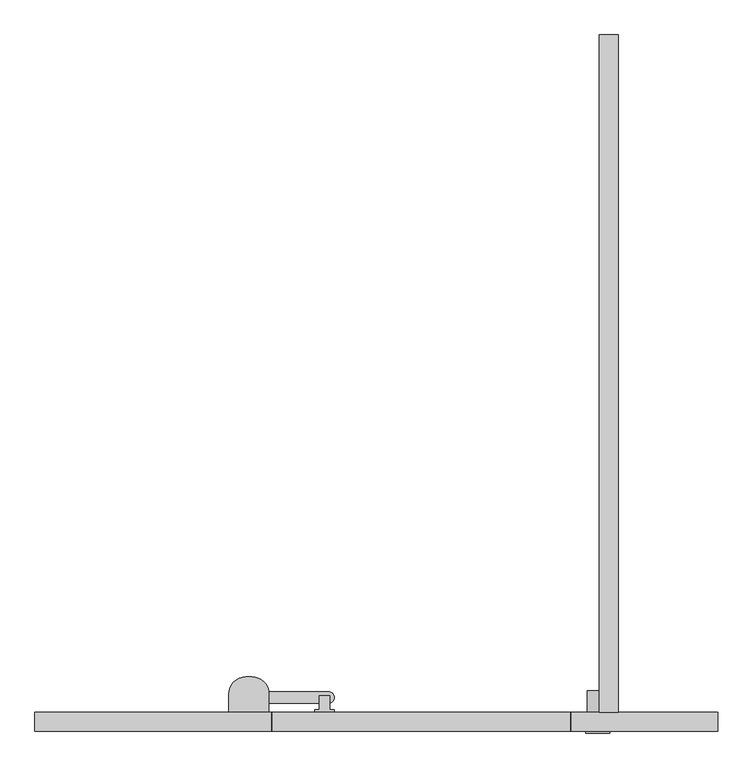
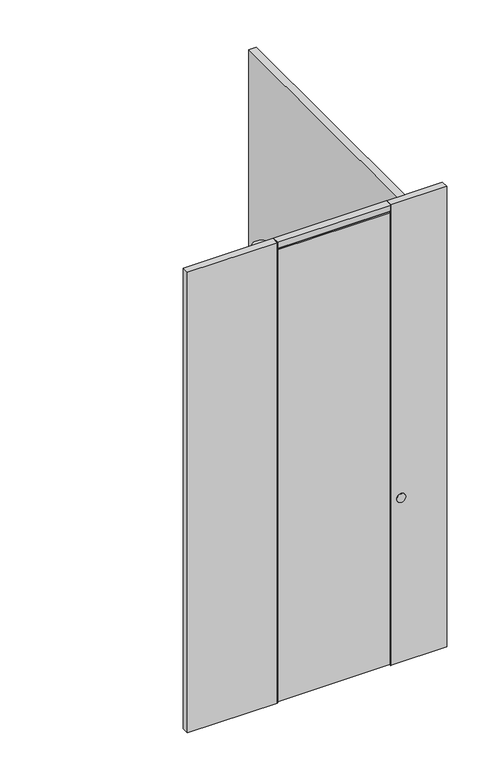
"""IFC4 building model written with IfcOpenShell, lengths in millimetres: proxy geometry."""

from ifc_helpers import new_model, si_unit, point, frame, frame_2d, origin, origin_with_axes, place, context, project, spatial, polyline, circle_curve, trimmed, segment, composite_curve, outline, extrude, source, transform, mapped, element, save


def specialty_equipment_55ddbd68(model_context):
    return source(origin(), model_context, "Body", "SweptSolid", [
        extrude(outline(polyline([(151.687862, 42.0), (108.687862, 42.0), (108.687862, 47.0), (118.687862, 47.0), (118.687862, 77.9983508), (141.687862, 77.9983508), (141.687862, 47.0), (151.687862, 47.0), (151.687862, 42.0)])), frame((0.0, 0.0, 2731.5), z_axis=(0.0, 0.0, 1.0), x_axis=(1.0, 0.0, 0.0)), (0.0, 0.0, 1.0), 18.0),
        extrude(outline(composite_curve([segment(trimmed(circle_curve(frame_2d((-28.5, 82.0)), 37.0), [point((8.5, 82.0))], [point((8.1606056, 87.0))], True, "CARTESIAN"), True, "CONTINUOUS"), segment(polyline([(8.1606056, 87.0), (139.5, 87.0)]), True, "CONTINUOUS"), segment(trimmed(circle_curve(frame_2d((139.5, 75.0)), 12.0), [point((139.5, 87.0))], [point((151.5, 75.0))], False, "CARTESIAN"), True, "CONTINUOUS"), segment(polyline([(151.5, 75.0), (151.5, 74.0)]), True, "CONTINUOUS"), segment(trimmed(circle_curve(frame_2d((139.5, 74.0)), 12.0), [point((151.5, 74.0))], [point((139.5, 62.0))], False, "CARTESIAN"), True, "CONTINUOUS"), segment(polyline([(139.5, 62.0), (8.5, 62.0), (8.5, 82.0)]), True, "CONTINUOUS")], self_intersect=False)), frame((0.0, 0.0, 2721.5), z_axis=(0.0, 0.0, 1.0), x_axis=(1.0, 0.0, 0.0)), (0.0, 0.0, 1.0), 10.0),
        extrude(outline(composite_curve([segment(polyline([(8.5, 42.0), (-78.5, 42.0), (-78.5, 82.0)]), True, "CONTINUOUS"), segment(trimmed(circle_curve(frame_2d((-41.5, 82.0)), 37.0), [point((-78.5, 82.0))], [point((-41.5, 119.0))], False, "CARTESIAN"), True, "CONTINUOUS"), segment(polyline([(-41.5, 119.0), (-28.5, 119.0)]), True, "CONTINUOUS"), segment(trimmed(circle_curve(frame_2d((-28.5, 82.0)), 37.0), [point((-28.5, 119.0))], [point((8.5, 82.0))], False, "CARTESIAN"), True, "CONTINUOUS"), segment(polyline([(8.5, 82.0), (8.5, 42.0)]), True, "CONTINUOUS")], self_intersect=False)), frame((0.0, 0.0, 2554.5), z_axis=(0.0, 0.0, 1.0), x_axis=(1.0, 0.0, 0.0)), (0.0, 0.0, 1.0), 200.0),
        extrude(outline(polyline([(666.0, 0.0), (16.0, 0.0), (16.0, 42.0), (666.0, 42.0), (666.0, 0.0)])), frame((0.0, 0.0, 2762.0), z_axis=(0.0, 0.0, 1.0), x_axis=(1.0, 0.0, 0.0)), (0.0, 0.0, 1.0), 1.3),
        extrude(outline(polyline([(666.0, 0.0), (16.0, 0.0), (16.0, 42.0), (666.0, 42.0), (666.0, 0.0)])), frame((0.0, 0.0, 2763.3), z_axis=(0.0, 0.0, 1.0), x_axis=(1.0, 0.0, 0.0)), (0.0, 0.0, 1.0), 36.7),
        extrude(outline(polyline([(17.3, 42.0), (17.3, 0.0), (16.0, 0.0), (16.0, 42.0), (17.3, 42.0)])), frame((0.0, 0.0, 7.5), z_axis=(0.0, 0.0, 1.0), x_axis=(1.0, 0.0, 0.0)), (0.0, 0.0, 1.0), 2747.0),
        extrude(outline(polyline([(664.7, 42.0), (666.0, 42.0), (666.0, 0.0), (664.7, 0.0), (664.7, 42.0)])), frame((0.0, 0.0, 7.5), z_axis=(0.0, 0.0, 1.0), x_axis=(1.0, 0.0, 0.0)), (0.0, 0.0, 1.0), 2747.0),
        extrude(outline(polyline([(664.7, 42.0), (664.7, 0.0), (17.3, 0.0), (17.3, 42.0), (664.7, 42.0)])), frame((0.0, 0.0, 7.5), z_axis=(0.0, 0.0, 1.0), x_axis=(1.0, 0.0, 0.0)), (0.0, 0.0, 1.0), 2747.0),
        extrude(outline(polyline([(14.7, 42.0), (16.0, 42.0), (16.0, 0.0), (14.7, 0.0), (14.7, 42.0)])), origin_with_axes(), (0.0, 0.0, 1.0), 2800.0),
        extrude(outline(polyline([(667.3, 42.0), (667.3, 0.0), (666.0, 0.0), (666.0, 42.0), (667.3, 42.0)])), origin_with_axes(), (0.0, 0.0, 1.0), 2800.0),
        extrude(outline(composite_curve([segment(trimmed(circle_curve(frame_2d((1000.0, 726.0)), 22.5), [point((1000.0, 703.5))], [point((1000.0, 748.5))], False, "CARTESIAN"), True, "CONTINUOUS"), segment(trimmed(circle_curve(frame_2d((1000.0, 726.0)), 22.5), [point((1000.0, 748.5))], [point((1000.0, 703.5))], False, "CARTESIAN"), True, "CONTINUOUS")], self_intersect=False)), frame((0.0, 42.0, 0.0), z_axis=(0.0, 1.0, 0.0), x_axis=(0.0, 0.0, 1.0)), (0.0, 0.0, 1.0), 47.0),
        extrude(outline(composite_curve([segment(trimmed(circle_curve(frame_2d((1000.0, 726.0)), 26.0), [point((1000.0, 700.0))], [point((1000.0, 752.0))], False, "CARTESIAN"), True, "CONTINUOUS"), segment(trimmed(circle_curve(frame_2d((1000.0, 726.0)), 26.0), [point((1000.0, 752.0))], [point((1000.0, 700.0))], False, "CARTESIAN"), True, "CONTINUOUS")], self_intersect=False)), frame((0.0, -3.0, 0.0), z_axis=(0.0, 1.0, 0.0), x_axis=(0.0, 0.0, 1.0)), (0.0, 0.0, 1.0), 3.0),
        extrude(outline(polyline([(729.0, 42.0), (729.0, 1520.0), (771.0, 1520.0), (771.0, 42.0), (729.0, 42.0)])), origin_with_axes(), (0.0, 0.0, 1.0), 2800.0),
        extrude(outline(polyline([(988.0, 0.0), (667.3, 0.0), (667.3, 42.0), (988.0, 42.0), (988.0, 0.0)])), origin_with_axes(), (0.0, 0.0, 1.0), 2800.0),
        extrude(outline(polyline([(-502.0, 42.0), (14.7, 42.0), (14.7, 0.0), (-502.0, 0.0), (-502.0, 42.0)])), origin_with_axes(), (0.0, 0.0, 1.0), 2800.0),
    ])


if __name__ == "__main__":
    model = new_model("IFC4")
    model_context = context("Model", 3, world=origin())
    ifc_project = project(units=[si_unit("LENGTHUNIT", "METRE", prefix="MILLI")], contexts=[model_context])
    site = spatial("IfcSite", under=ifc_project)
    building = spatial("IfcBuilding", under=site)
    placement = place(None, origin())
    specialty_equipment_shape = specialty_equipment_55ddbd68(model_context)
    element("IfcBuildingElementProxy", 1, Name="Specialty Equipment", at=placement, inside=building, context=model_context, shape_type="MappedRepresentation", body=[
        mapped(specialty_equipment_shape, transform((0.0, 0.0, 0.0), x_axis=(1.0, 0.0, 0.0), y_axis=(0.0, 1.0, 0.0), z_axis=(0.0, 0.0, 1.0))),
    ])
    save(model, "model.ifc")
